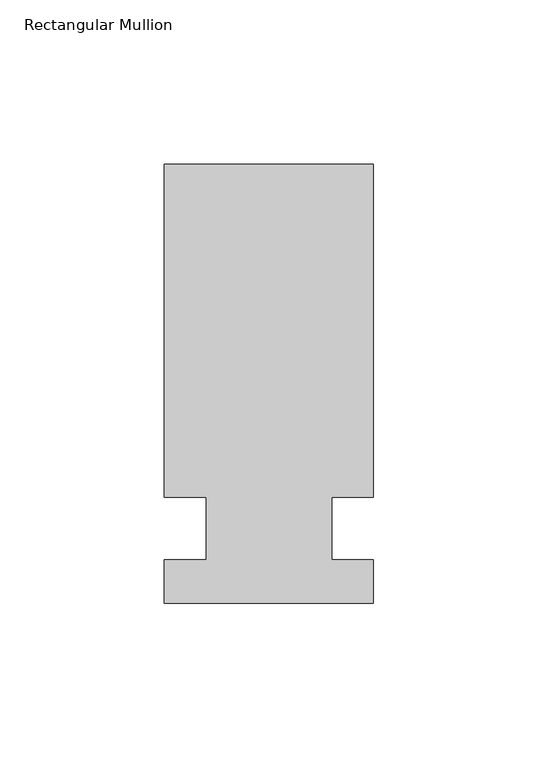
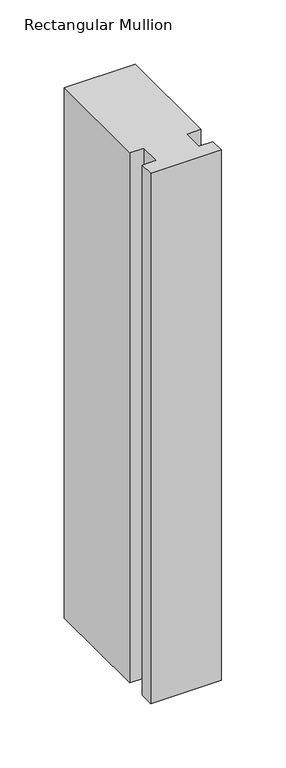
"""IFC4 building model written with IfcOpenShell, lengths in millimetres: member geometry, Rectangular Mullion."""

from ifc_helpers import new_model, si_unit, frame, origin, place, context, project, spatial, polyline, outline, extrude, source, transform, mapped, element, save


def rectangular_mullion_9f13c26e(model_context):
    return source(origin(), model_context, "Body", "SweptSolid", [
        extrude(outline(polyline([(-63.5, 133.4396937), (0.0, 133.4396937), (0.0, 32.2460937), (-12.7, 32.2460937), (-12.7, 13.1960937), (0.0, 13.1960937), (0.0, 0.0134937), (-63.5, 0.0134937), (-63.5, 13.1960937), (-50.8, 13.1960937), (-50.8, 32.2460937), (-63.5, 32.2460938), (-63.5, 133.4396937)])), frame((0.0, 0.0, -501.65), z_axis=(0.0, 0.0, 1.0), x_axis=(1.0, 0.0, 0.0)), (0.0, 0.0, 1.0), 501.65),
    ])


if __name__ == "__main__":
    model = new_model("IFC4")
    model_context = context("Model", 3, world=origin())
    ifc_project = project(units=[si_unit("LENGTHUNIT", "METRE", prefix="MILLI")], contexts=[model_context])
    site = spatial("IfcSite", under=ifc_project)
    building = spatial("IfcBuilding", under=site)
    placement = place(None, origin())
    rectangular_mullion_shape = rectangular_mullion_9f13c26e(model_context)
    element("IfcMember", 1, ObjectType="Rectangular Mullion", at=placement, inside=building, context=model_context, shape_type="MappedRepresentation", body=[
        mapped(rectangular_mullion_shape, transform((0.0, 0.0, 0.0), x_axis=(1.0, 0.0, 0.0), y_axis=(0.0, 1.0, 0.0), z_axis=(0.0, 0.0, 1.0))),
    ])
    save(model, "model.ifc")
